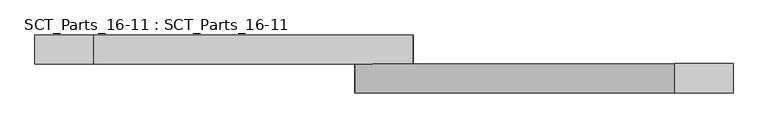
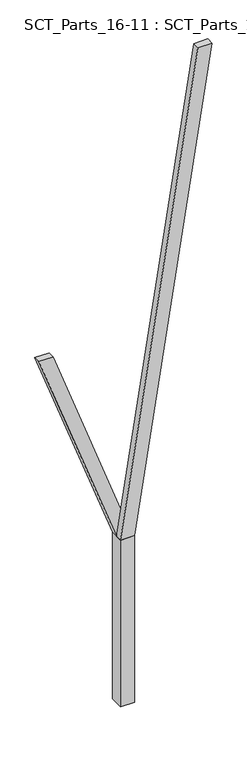
"""IFC4 building model written with IfcOpenShell, lengths in millimetres: proxy geometry, SCT_Parts_16-11 : SCT_Parts_16-11."""

from ifc_helpers import new_model, si_unit, frame, origin, origin_with_axes, place, context, project, spatial, polyline, outline, extrude, source, transform, mapped, element, save


def sct_parts_16_11_sct_parts_16_11_77a737f5(model_context):
    return source(origin(), model_context, "Body", "SweptSolid", [
        extrude(outline(polyline([(2500.0, 200.0), (9500.0, 1300.0), (9500.0, 1100.0), (2500.0, 0.0), (2500.0, 200.0)])), frame((0.0, -200.0, 0.0), z_axis=(0.0, 1.0, 0.0), x_axis=(0.0, 0.0, 1.0)), (0.0, 0.0, 1.0), 100.0),
        extrude(outline(polyline([(2500.0, 0.0), (2500.0, 200.0), (5500.0, -900.0), (5500.0, -1100.0), (2500.0, 0.0)])), frame((0.0, -100.0, 0.0), z_axis=(0.0, 1.0, 0.0), x_axis=(0.0, 0.0, 1.0)), (0.0, 0.0, 1.0), 100.0),
        extrude(outline(polyline([(200.0, -200.0), (0.0, -200.0), (0.0, 0.0), (200.0, 0.0), (200.0, -200.0)])), origin_with_axes(), (0.0, 0.0, 1.0), 2500.0),
    ])


if __name__ == "__main__":
    model = new_model("IFC4")
    model_context = context("Model", 3, world=origin())
    ifc_project = project(units=[si_unit("LENGTHUNIT", "METRE", prefix="MILLI")], contexts=[model_context])
    site = spatial("IfcSite", under=ifc_project)
    building = spatial("IfcBuilding", under=site)
    placement = place(None, origin())
    sct_parts_16_11_sct_parts_16_11_shape = sct_parts_16_11_sct_parts_16_11_77a737f5(model_context)
    element("IfcBuildingElementProxy", 1, Name="SCT_Parts_16-11 : SCT_Parts_16-11", ObjectType="SCT_Parts_16-11 : SCT_Parts_16-11", at=placement, inside=building, context=model_context, shape_type="MappedRepresentation", body=[
        mapped(sct_parts_16_11_sct_parts_16_11_shape, transform((0.0, 0.0, 0.0), x_axis=(1.0, 0.0, 0.0), y_axis=(0.0, 1.0, 0.0), z_axis=(0.0, 0.0, 1.0))),
    ])
    save(model, "model.ifc")
